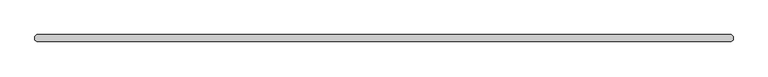
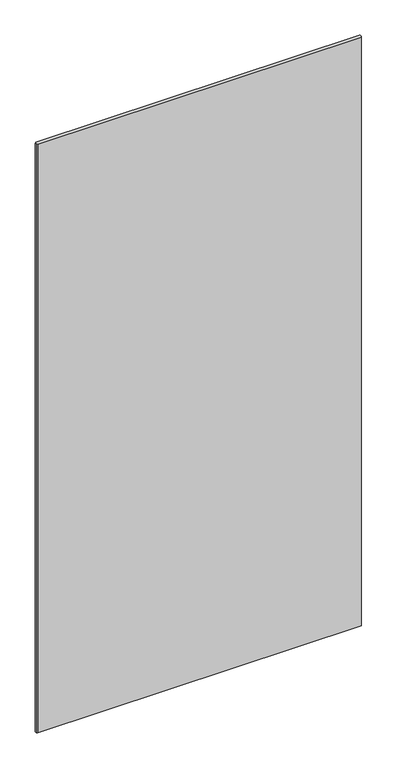
"""IFC4 building model written with IfcOpenShell, lengths in millimetres: plate geometry."""

from ifc_helpers import new_model, si_unit, origin, origin_with_axes, place, context, project, spatial, polyline, outline, extrude, source, transform, mapped, element, save


def plate_26a862e4(model_context):
    return source(origin(), model_context, "Body", "SweptSolid", [
        extrude(outline(polyline([(631.03125, -36.5125), (-631.03125, -36.5125), (-634.20625, -33.3375), (-634.20625, -26.9875), (-631.03125, -23.8125), (631.03125, -23.8125), (634.20625, -26.9875), (634.20625, -33.3375), (631.03125, -36.5125)])), origin_with_axes(), (0.0, 0.0, 1.0), 2428.7789267),
    ])


if __name__ == "__main__":
    model = new_model("IFC4")
    model_context = context("Model", 3, world=origin())
    ifc_project = project(units=[si_unit("LENGTHUNIT", "METRE", prefix="MILLI")], contexts=[model_context])
    site = spatial("IfcSite", under=ifc_project)
    building = spatial("IfcBuilding", under=site)
    placement = place(None, origin())
    plate_shape = plate_26a862e4(model_context)
    element("IfcPlate", 1, at=placement, inside=building, context=model_context, shape_type="MappedRepresentation", body=[
        mapped(plate_shape, transform((0.0, 0.0, 0.0), x_axis=(1.0, 0.0, 0.0), y_axis=(0.0, 1.0, 0.0), z_axis=(0.0, 0.0, 1.0))),
    ])
    save(model, "model.ifc")
